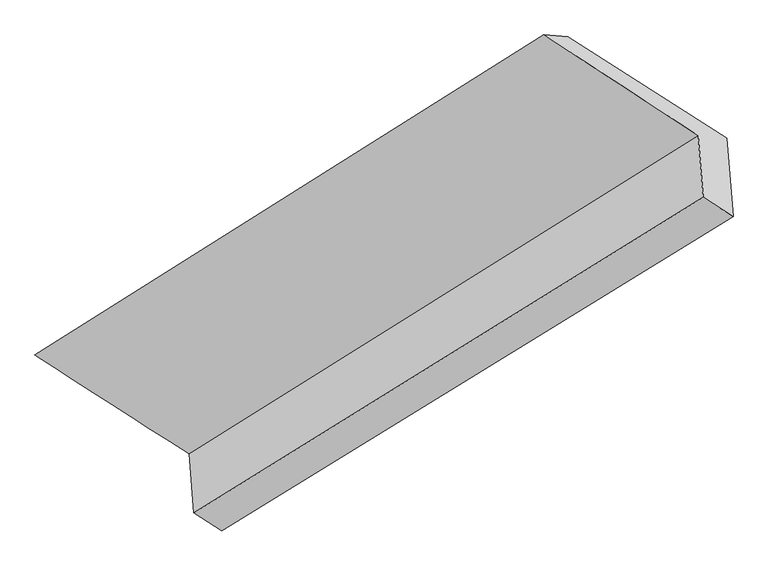
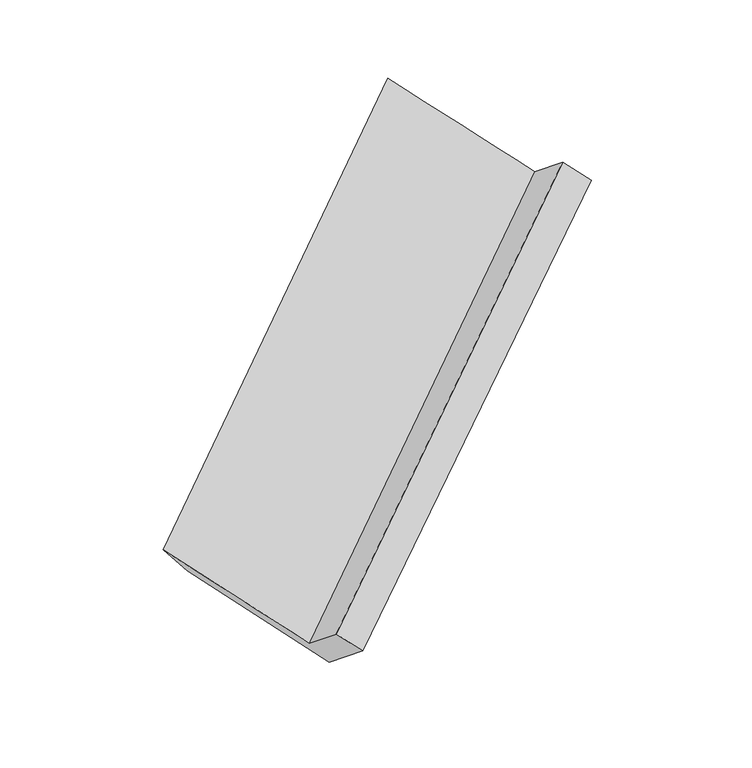
"""IFC4 building model written with IfcOpenShell, lengths in millimetres: proxy geometry."""

from ifc_helpers import new_model, si_unit, frame, origin, place, context, project, spatial, source, transform, mapped, element, save
from ifc_brep_helpers import plane_surface, spline_surface, advanced_brep


def generic_models_f1094f19(model_context):
    return source(origin(), model_context, "Body", "AdvancedBrep", [
        advanced_brep(
        [(-4410.2178837, -2695.5871276, 374.0443227), (-4377.0927662, -3114.20368, 714.4831724), (-768.9805626, -876.7304021, 3196.9492661), (-803.5618876, -439.7111207, 2841.5444436), (-5501.5351342, -1995.2978679, 1341.3331266), (-1896.6563009, 273.9858707, 3798.9919641), (-5284.5903126, -2051.4956952, 1071.7881501), (-1729.6881674, 259.8013072, 3564.4898741), (-4221.4403108, -2717.8737485, 114.7272949), (-601.1261695, -458.3169346, 2558.5395971), (-4180.0747386, -3240.62852, 539.8562872), (-557.266928, -1012.5852916, 3009.2969328)],
        [
            (0, 1),
            (1, 2),
            (2, 3),
            (3, 0),
            (4, 0),
            (3, 5),
            (5, 4),
            (6, 4),
            (5, 7),
            (7, 6),
            (8, 6),
            (7, 9),
            (9, 8),
            (10, 8),
            (9, 11),
            (11, 10),
            (1, 10),
            (11, 2),
        ],
        [
            plane_surface(frame((-4393.6553249, -2904.8954038, 544.2637476), z_axis=(-0.6774204759621418, 0.43111092103488435, 0.5960242214135927), x_axis=(0.06127605416983944, -0.7743722133860389, 0.6297562388106863))),
            spline_surface(1, 1, [[(-5501.5351342, -1995.2978679, 1341.3331266), (-1896.6563009, 273.9858707, 3798.9919641)], [(-4410.2178837, -2695.5871276, 374.0443227), (-803.5618876, -439.7111207, 2841.5444436)]], [2, 2], [2, 2], [0.0, 1.0], [0.0, 1.0]),
            spline_surface(1, 1, [[(-5284.5903126, -2051.4956952, 1071.7881501), (-1729.6881674, 259.8013072, 3564.4898741)], [(-5501.5351342, -1995.2978679, 1341.3331266), (-1896.6563009, 273.9858707, 3798.9919641)]], [2, 2], [2, 2], [0.0, 1.0], [0.0, 1.0]),
            spline_surface(1, 1, [[(-4221.4403108, -2717.8737485, 114.7272949), (-601.1261695, -458.3169346, 2558.5395971)], [(-5284.5903126, -2051.4956952, 1071.7881501), (-1729.6881674, 259.8013072, 3564.4898741)]], [2, 2], [2, 2], [0.0, 1.0], [0.0, 1.0]),
            plane_surface(frame((-4200.7575247, -2979.2511342, 327.2917911), z_axis=(0.6741667177317852, -0.4331582057458968, -0.5982250458629652), x_axis=(-0.061276054169839576, 0.7743722133860389, -0.6297562388106861))),
            plane_surface(frame((-4278.5837524, -3177.4161, 627.1697298), z_axis=(0.05352411981177699, -0.7791900100281257, 0.6244982761151099), x_axis=(0.6746010300390364, -0.43288590521280523, -0.5979324738951394))),
            plane_surface(frame((-1059.5466693, -375.5927618, 3161.6353463), z_axis=(0.7356348927665783, 0.46147315003539346, 0.4958667526067023), x_axis=(-0.6742904527185244, 0.42905952467230024, 0.6010327026548783))),
            plane_surface(frame((-4662.4918577, -2635.8477732, 692.7053923), z_axis=(-0.7356348927665706, -0.4614731500354851, -0.49586675260662816), x_axis=(-0.06127605416983984, 0.7743722133860405, -0.6297562388106843))),
        ],
        [
            (0, [[1, 2, 3, 4]]),
            (1, [[5, -4, 6, 7]]),
            (2, [[8, -7, 9, 10]]),
            (3, [[11, -10, 12, 13]]),
            (4, [[14, -13, 15, 16]]),
            (5, [[17, -16, 18, -2]]),
            (6, [[-12, -9, -6, -3, -18, -15]]),
            (7, [[-1, -5, -8, -11, -14, -17]]),
        ],
    ),
    ])


if __name__ == "__main__":
    model = new_model("IFC4")
    model_context = context("Model", 3, world=origin())
    ifc_project = project(units=[si_unit("LENGTHUNIT", "METRE", prefix="MILLI")], contexts=[model_context])
    site = spatial("IfcSite", under=ifc_project)
    building = spatial("IfcBuilding", under=site)
    placement = place(None, origin())
    generic_models_shape = generic_models_f1094f19(model_context)
    element("IfcBuildingElementProxy", 1, Name="Generic Models", at=placement, inside=building, context=model_context, shape_type="MappedRepresentation", body=[
        mapped(generic_models_shape, transform((0.0, 0.0, 0.0), x_axis=(1.0, 0.0, 0.0), y_axis=(0.0, 1.0, 0.0), z_axis=(0.0, 0.0, 1.0))),
    ])
    save(model, "model.ifc")
